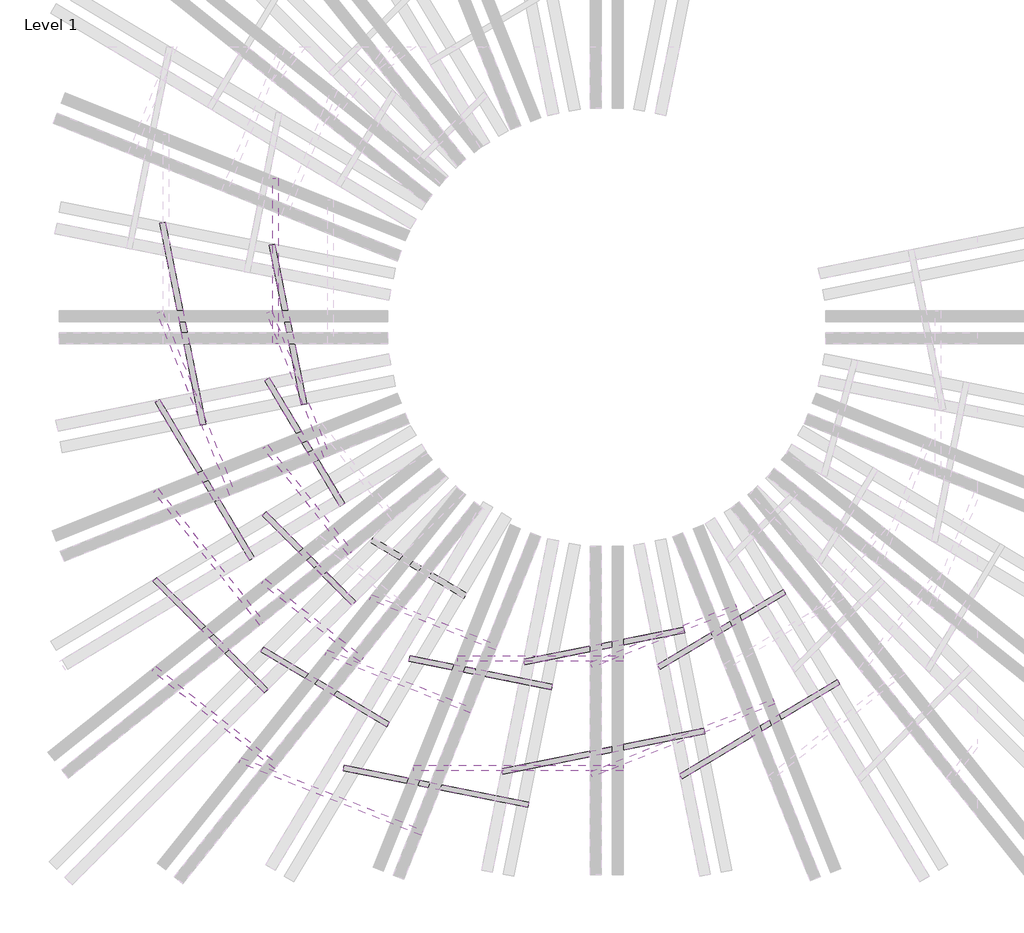
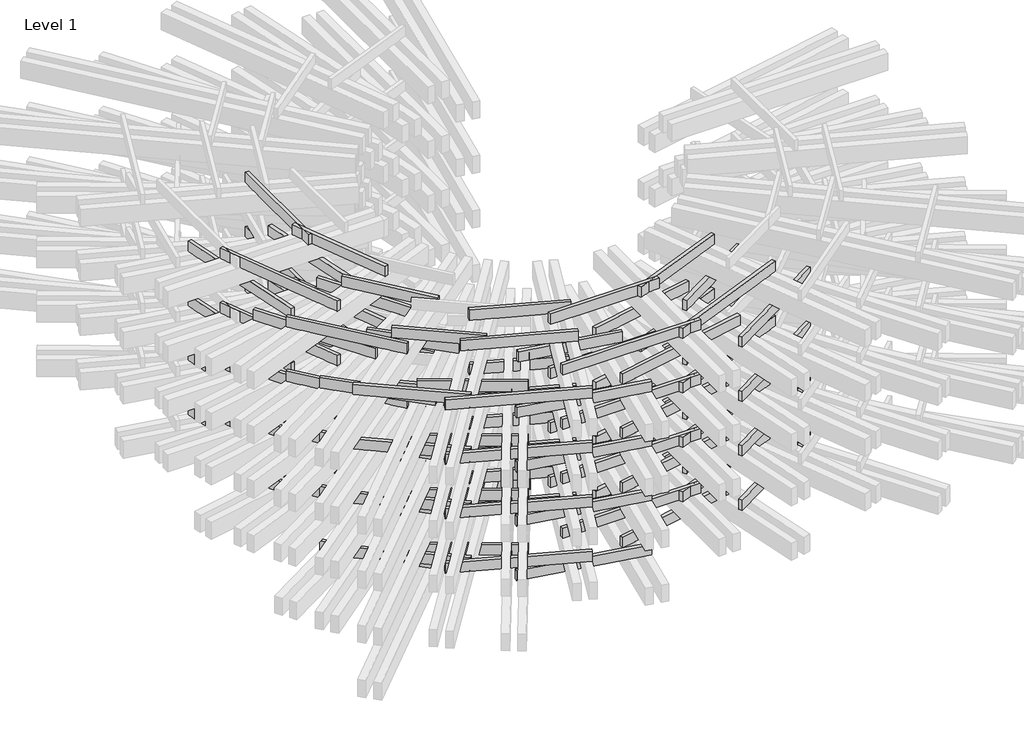
# One storey, part 1 of 4: 109 proxies.
"""IFC4 building model written with IfcOpenShell, lengths in millimetres."""

import ifcopenshell
import ifcopenshell.guid

model = None  # the IFC model being written
_history = None  # IfcOwnerHistory: only IFC2X3 demands one
_inside = {}  # id of a spatial element -> (the spatial element, [elements in it])
_under = {}  # id of a project, library or spatial element -> (it, [spatial elements below it])
_declared = {}  # id of a project -> (the project, [libraries it declares])
_typed = {}  # id of a type object -> (the type object, [elements of that type])
_made_of = {}  # id of a material, layer set ... -> (it, [elements and type objects made of it])


def new_model(schema):
    """Start an empty IFC model of exactly this schema.

    Asked for "IFC4X3", IfcOpenShell would pick the latest addendum, in which some entities
    have other attributes; the version numbers below select the first issue.
    IFC2X3 requires an IfcOwnerHistory on every rooted entity: one is made here for all.
    """
    global model, _history
    if schema == "IFC4X3":
        model = ifcopenshell.file(schema_version=(4, 3, 0, 0))
    else:
        model = ifcopenshell.file(schema=schema)
    _inside.clear()
    _under.clear()
    _declared.clear()
    _typed.clear()
    _made_of.clear()
    _history = None
    if model.schema == "IFC2X3":
        org = make("IfcOrganization", Name="unknown")
        user = make(
            "IfcPersonAndOrganization",
            ThePerson=make("IfcPerson", FamilyName="unknown"),
            TheOrganization=org,
        )
        app = make(
            "IfcApplication",
            ApplicationDeveloper=org,
            Version="unknown",
            ApplicationFullName="unknown",
            ApplicationIdentifier="unknown",
        )
        _history = make(
            "IfcOwnerHistory",
            OwningUser=user,
            OwningApplication=app,
            ChangeAction="ADDED",
            CreationDate=0,
        )
    return model


def make(cls, **values):
    """One entity of the class cls with the attributes given. An attribute that is None is left unset."""
    return model.create_entity(
        cls, **{name: value for name, value in values.items() if value is not None}
    )


def rooted(cls, **values):
    """An entity with a GlobalId (a new one), such as an element, a storey or a relation."""
    return make(cls, GlobalId=ifcopenshell.guid.new(), OwnerHistory=_history, **values)


def si_unit(unit_type, name, prefix=None):
    """IfcSIUnit, for example si_unit("LENGTHUNIT", "METRE", prefix="MILLI")."""
    return make("IfcSIUnit", UnitType=unit_type, Prefix=prefix, Name=name)


def assignment(units):
    """IfcUnitAssignment: the units of a project."""
    return None if units is None else make("IfcUnitAssignment", Units=units)


def point(xyz):
    """IfcCartesianPoint."""
    return None if xyz is None else make("IfcCartesianPoint", Coordinates=xyz)


def direction(xyz):
    """IfcDirection."""
    return None if xyz is None else make("IfcDirection", DirectionRatios=xyz)


def frame(location, z_axis=None, x_axis=None):
    """IfcAxis2Placement3D, a coordinate frame: its origin and axes. An axis left out is left unset."""
    return make(
        "IfcAxis2Placement3D",
        Location=point(location),
        Axis=direction(z_axis),
        RefDirection=direction(x_axis),
    )


def origin():
    """The frame at (0, 0, 0) with its axes left unset."""
    return frame((0.0, 0.0, 0.0))


def origin_with_axes():
    """The frame at (0, 0, 0) with the z axis (0, 0, 1) and the x axis (1, 0, 0) written out."""
    return frame((0.0, 0.0, 0.0), z_axis=(0.0, 0.0, 1.0), x_axis=(1.0, 0.0, 0.0))


def place(relative_to, where):
    """IfcLocalPlacement: puts the frame where relative to a parent placement (None: the world)."""
    return make(
        "IfcLocalPlacement", PlacementRelTo=relative_to, RelativePlacement=where
    )


def context(
    kind, dimensions, precision=None, world=None, true_north=None, identifier=None
):
    """IfcGeometricRepresentationContext, for example the 3D "Model" context."""
    return make(
        "IfcGeometricRepresentationContext",
        ContextIdentifier=identifier,
        ContextType=kind,
        CoordinateSpaceDimension=dimensions,
        Precision=precision,
        WorldCoordinateSystem=world,
        TrueNorth=true_north,
    )


def project(units=None, contexts=None):
    """IfcProject with its units and contexts."""
    return rooted(
        "IfcProject",
        Name="project",
        RepresentationContexts=contexts,
        UnitsInContext=assignment(units),
    )


def spatial(cls, under=None, at=None, **own):
    """A site, building, storey or space (cls), placed at a placement, below another one or the project."""
    s = rooted(cls, ObjectPlacement=at, **own)
    if under is not None:
        _under.setdefault(under.id(), (under, []))[1].append(s)
    return s


def polyline(points):
    """IfcPolyline through the points."""
    return make("IfcPolyline", Points=[point(p) for p in points])


def outline(outer, holes=None, kind="AREA"):
    """IfcArbitraryClosedProfileDef: a profile drawn as a closed curve; with holes, ...WithVoids."""
    if holes is None:
        return make("IfcArbitraryClosedProfileDef", ProfileType=kind, OuterCurve=outer)
    return make(
        "IfcArbitraryProfileDefWithVoids",
        ProfileType=kind,
        OuterCurve=outer,
        InnerCurves=holes,
    )


def extrude(swept, where, along, depth):
    """IfcExtrudedAreaSolid: the profile swept, set in the frame where, extruded along a direction by depth."""
    return make(
        "IfcExtrudedAreaSolid",
        SweptArea=swept,
        Position=where,
        ExtrudedDirection=direction(along),
        Depth=depth,
    )


def shape(context_of_items, identifier, shape_type, items):
    """IfcShapeRepresentation: the items that make up one representation, for example the "Body"."""
    return make(
        "IfcShapeRepresentation",
        ContextOfItems=context_of_items,
        RepresentationIdentifier=identifier,
        RepresentationType=shape_type,
        Items=items,
    )


def source(mapping_origin, context_of_items, identifier, shape_type, items):
    """IfcRepresentationMap: a shape defined once, which mapped items show again and again."""
    return make(
        "IfcRepresentationMap",
        MappingOrigin=mapping_origin,
        MappedRepresentation=shape(context_of_items, identifier, shape_type, items),
    )


def transform(
    local_origin,
    x_axis=None,
    y_axis=None,
    z_axis=None,
    scale=None,
    scale2=None,
    scale3=None,
    uniform=True,
):
    """IfcCartesianTransformationOperator3D, or its non-uniform kind. x_axis, y_axis, z_axis: its Axis1, 2, 3."""
    if uniform:
        return make(
            "IfcCartesianTransformationOperator3D",
            Axis1=direction(x_axis),
            Axis2=direction(y_axis),
            LocalOrigin=point(local_origin),
            Scale=scale,
            Axis3=direction(z_axis),
        )
    return make(
        "IfcCartesianTransformationOperator3DnonUniform",
        Axis1=direction(x_axis),
        Axis2=direction(y_axis),
        LocalOrigin=point(local_origin),
        Scale=scale,
        Axis3=direction(z_axis),
        Scale2=scale2,
        Scale3=scale3,
    )


def mapped(mapping_source, mapping_target):
    """IfcMappedItem: shows the shape of a source again, moved by a transform."""
    return make(
        "IfcMappedItem", MappingSource=mapping_source, MappingTarget=mapping_target
    )


def made_of(thing, what):
    """Note that an element or type object is made of a material, layer set ...; save() writes the relation."""
    if what is not None:
        _made_of.setdefault(what.id(), (what, []))[1].append(thing)
    return thing


def element(
    cls,
    number,
    at=None,
    inside=None,
    cuts=None,
    type_object=None,
    material=None,
    context=None,
    identifier="Body",
    shape_type=None,
    held_by="IfcProductDefinitionShape",
    body=None,
    shapes=None,
    **own,
):
    """One element of the class cls, such as IfcWall. Its Tag is "e" and its number.

    at: its placement. inside: the storey or other place that contains it. cuts: it is an
    opening in that element (IfcRelVoidsElement). A single representation is given by context,
    identifier, shape_type and body (its items); several are given by shapes. held_by: the class
    of the entity that holds the representations. save() writes the other relations.
    """
    e = rooted(cls, Tag="e%d" % number, ObjectPlacement=at, **own)
    if body is not None:
        shapes = [shape(context, identifier, shape_type, body)]
    if shapes is not None:
        e.Representation = make(held_by, Representations=shapes)
    if inside is not None:
        _inside.setdefault(inside.id(), (inside, []))[1].append(e)
    if cuts is not None:
        rooted(
            "IfcRelVoidsElement", RelatingBuildingElement=cuts, RelatedOpeningElement=e
        )
    if type_object is not None:
        _typed.setdefault(type_object.id(), (type_object, []))[1].append(e)
    return made_of(e, material)


def aggregate(whole, parts):
    """IfcRelAggregates: a whole, such as a stair, and the parts it consists of."""
    return rooted("IfcRelAggregates", RelatingObject=whole, RelatedObjects=parts)


def save(model, path):
    """Write the relations noted so far, then the file.

    IfcRelAggregates (storeys below a building ...), IfcRelContainedInSpatialStructure (elements
    in a storey), IfcRelDefinesByType, IfcRelAssociatesMaterial and IfcRelDeclares: one each for
    every whole, place, type object, material and project.
    """
    for whole, parts in _under.values():
        aggregate(whole, parts)
    for where, things in _inside.values():
        rooted(
            "IfcRelContainedInSpatialStructure",
            RelatedElements=things,
            RelatingStructure=where,
        )
    for kind, things in _typed.values():
        rooted("IfcRelDefinesByType", RelatedObjects=things, RelatingType=kind)
    for what, things in _made_of.values():
        rooted("IfcRelAssociatesMaterial", RelatedObjects=things, RelatingMaterial=what)
    for by, libraries in _declared.values():
        rooted("IfcRelDeclares", RelatingContext=by, RelatedDefinitions=libraries)
    model.write(path)


def generic_models_0ae8e02d(model_context):
    return source(origin(), model_context, "Body", "SweptSolid", [
        extrude(outline(polyline([(2973.9617472, 0.0), (2973.9617472, -100.0), (0.0, -100.0), (0.0, 0.0), (2973.9617472, 0.0)])), origin_with_axes(), (0.0, 0.0, 1.0), 300.0),
    ])


def generic_models_d1bfbe83(model_context):
    return source(origin(), model_context, "Body", "SweptSolid", [
        extrude(outline(polyline([(3756.9821934, 0.0), (3756.9821934, -100.0), (0.0, -100.0), (0.0, 0.0), (3756.9821934, 0.0)])), origin_with_axes(), (0.0, 0.0, 1.0), 300.0),
    ])


def generic_models_8410551c(model_context):
    return source(origin(), model_context, "Body", "SweptSolid", [
        extrude(outline(polyline([(3358.6165114, 0.0), (3358.6165114, -100.0), (0.0, -100.0), (0.0, 0.0), (3358.6165114, 0.0)])), origin_with_axes(), (0.0, 0.0, 1.0), 300.0),
    ])


def generic_models_94be1e2b(model_context):
    return source(origin(), model_context, "Body", "SweptSolid", [
        extrude(outline(polyline([(2673.5884872, 0.0), (2673.5884872, -100.0), (0.0, -100.0), (0.0, 0.0), (2673.5884872, 0.0)])), origin_with_axes(), (0.0, 0.0, 1.0), 300.0),
    ])


def generic_models_57c779c8(model_context):
    return source(origin(), model_context, "Body", "SweptSolid", [
        extrude(outline(polyline([(2878.5373836, 0.0), (2878.5373836, -100.0), (0.0, -100.0), (0.0, 0.0), (2878.5373836, 0.0)])), origin_with_axes(), (0.0, 0.0, 1.0), 300.0),
    ])


def generic_models_bb149883(model_context):
    return source(origin(), model_context, "Body", "SweptSolid", [
        extrude(outline(polyline([(2311.22763, 0.0), (2311.22763, -100.0), (0.0, -100.0), (0.0, 0.0), (2311.22763, 0.0)])), origin_with_axes(), (0.0, 0.0, 1.0), 300.0),
    ])


def generic_models_f671ce6b(model_context):
    return source(origin(), model_context, "Body", "SweptSolid", [
        extrude(outline(polyline([(1985.9237035, 0.0), (1985.9237035, -100.0), (0.0, -100.0), (0.0, 0.0), (1985.9237035, 0.0)])), origin_with_axes(), (0.0, 0.0, 1.0), 300.0),
    ])


def generic_models_8eca74c1(model_context):
    return source(origin(), model_context, "Body", "SweptSolid", [
        extrude(outline(polyline([(2674.2363707, 0.0), (2674.2363707, -100.0), (0.0, -100.0), (0.0, 0.0), (2674.2363707, 0.0)])), origin_with_axes(), (0.0, 0.0, 1.0), 300.0),
    ])


def generic_models_0787a6cf(model_context):
    return source(origin(), model_context, "Body", "SweptSolid", [
        extrude(outline(polyline([(2649.0613385, 0.0), (2649.0613385, -100.0), (0.0, -100.0), (0.0, 0.0), (2649.0613385, 0.0)])), origin_with_axes(), (0.0, 0.0, 1.0), 300.0),
    ])


def generic_models_fea92697(model_context):
    return source(origin(), model_context, "Body", "SweptSolid", [
        extrude(outline(polyline([(3432.0817847, 0.0), (3432.0817847, -100.0), (0.0, -100.0), (0.0, 0.0), (3432.0817847, 0.0)])), origin_with_axes(), (0.0, 0.0, 1.0), 300.0),
    ])


def generic_models_f00e651c(model_context):
    return source(origin(), model_context, "Body", "SweptSolid", [
        extrude(outline(polyline([(3589.2450153, 0.0), (3589.2450153, -100.0), (0.0, -100.0), (0.0, 0.0), (3589.2450153, 0.0)])), origin_with_axes(), (0.0, 0.0, 1.0), 300.0),
    ])


def generic_models_257fb715(model_context):
    return source(origin(), model_context, "Body", "SweptSolid", [
        extrude(outline(polyline([(2847.6899227, 0.0), (2847.6899227, -100.0), (0.0, -100.0), (0.0, 0.0), (2847.6899227, 0.0)])), origin_with_axes(), (0.0, 0.0, 1.0), 300.0),
    ])


def generic_models_2a720b67(model_context):
    return source(origin(), model_context, "Body", "SweptSolid", [
        extrude(outline(polyline([(2485.3407594, 0.0), (2485.3407594, -100.0), (0.0, -100.0), (0.0, 0.0), (2485.3407594, 0.0)])), origin_with_axes(), (0.0, 0.0, 1.0), 300.0),
    ])


def generic_models_e1aaa148(model_context):
    return source(origin(), model_context, "Body", "SweptSolid", [
        extrude(outline(polyline([(2864.1203974, 0.0), (2864.1203974, -100.0), (0.0, -100.0), (0.0, 0.0), (2864.1203974, 0.0)])), origin_with_axes(), (0.0, 0.0, 1.0), 300.0),
    ])


def generic_models_66238f93(model_context):
    return source(origin(), model_context, "Body", "SweptSolid", [
        extrude(outline(polyline([(2299.9814989, 0.0), (2299.9814989, -100.0), (0.0, -100.0), (0.0, 0.0), (2299.9814989, 0.0)])), origin_with_axes(), (0.0, 0.0, 1.0), 300.0),
    ])


def generic_models_43e668eb(model_context):
    return source(origin(), model_context, "Body", "SweptSolid", [
        extrude(outline(polyline([(3823.1098884, 0.0), (3823.1098884, -100.0), (0.0, -100.0), (0.0, 0.0), (3823.1098884, 0.0)])), origin_with_axes(), (0.0, 0.0, 1.0), 300.0),
    ])


def generic_models_e5d6c564(model_context):
    return source(origin(), model_context, "Body", "SweptSolid", [
        extrude(outline(polyline([(3023.1098884, 0.0), (3023.1098884, -100.0), (0.0, -100.0), (0.0, 0.0), (3023.1098884, 0.0)])), origin_with_axes(), (0.0, 0.0, 1.0), 300.0),
    ])


def generic_models_5bac6347(model_context):
    return source(origin(), model_context, "Body", "SweptSolid", [
        extrude(outline(polyline([(3109.3058142, 0.0), (3109.3058142, -100.0), (0.0, -100.0), (0.0, 0.0), (3109.3058142, 0.0)])), origin_with_axes(), (0.0, 0.0, 1.0), 300.0),
    ])


def generic_models_52a5121b(model_context):
    return source(origin(), model_context, "Body", "SweptSolid", [
        extrude(outline(polyline([(3576.1143635, 0.0), (3576.1143635, -100.0), (0.0, -100.0), (0.0, 0.0), (3576.1143635, 0.0)])), origin_with_axes(), (0.0, 0.0, 1.0), 300.0),
    ])


def generic_models_d71f84c6(model_context):
    return source(origin(), model_context, "Body", "SweptSolid", [
        extrude(outline(polyline([(2846.3275905, 0.0), (2846.3275905, -100.0), (0.0, -100.0), (0.0, 0.0), (2846.3275905, 0.0)])), origin_with_axes(), (0.0, 0.0, 1.0), 300.0),
    ])


def generic_models_3ffadf14(model_context):
    return source(origin(), model_context, "Body", "SweptSolid", [
        extrude(outline(polyline([(2470.4250118, 0.0), (2470.4250118, -100.0), (0.0, -100.0), (0.0, 0.0), (2470.4250118, 0.0)])), origin_with_axes(), (0.0, 0.0, 1.0), 300.0),
    ])


model = new_model("IFC4")

# Units and contexts
model_context = context("Model", 3, world=origin())
ifc_project = project(units=[si_unit("LENGTHUNIT", "METRE", prefix="MILLI")], contexts=[model_context])

# Site, building, storey
site = spatial("IfcSite", under=ifc_project)
building = spatial("IfcBuilding", under=site)
storey = spatial("IfcBuildingStorey", under=building, Name="Level 1", Elevation=0.0)

# Proxies
placement = place(None, origin())
generic_models_shape = generic_models_0ae8e02d(model_context)
element("IfcBuildingElementProxy", 1, Name="Generic Models", at=placement, inside=storey, context=model_context, shape_type="MappedRepresentation", body=[
    mapped(generic_models_shape, transform((-8119.616306, -1675.3592155, 500.0), x_axis=(0.1957551115428338, -0.980652811297073, 0.0), y_axis=(0.980652811297073, 0.1957551115428338, 0.0), z_axis=(0.0, 0.0, 1.0))),
])
element("IfcBuildingElementProxy", 2, Name="Generic Models", at=placement, inside=storey, context=model_context, shape_type="MappedRepresentation", body=[
    mapped(generic_models_shape, transform((-3572.3327418, -9255.2774828, 500.0), x_axis=(0.9806528112970734, 0.19575511154283193, 0.0), y_axis=(-0.19575511154283193, 0.9806528112970734, 0.0), z_axis=(0.0, 0.0, 1.0))),
])
element("IfcBuildingElementProxy", 3, Name="Generic Models", at=placement, inside=storey, context=model_context, shape_type="MappedRepresentation", body=[
    mapped(generic_models_shape, transform((-8119.616306, -1675.3592155, 2100.0), x_axis=(0.1957551115428338, -0.980652811297073, 0.0), y_axis=(0.980652811297073, 0.1957551115428338, 0.0), z_axis=(0.0, 0.0, 1.0))),
])
element("IfcBuildingElementProxy", 4, Name="Generic Models", at=placement, inside=storey, context=model_context, shape_type="MappedRepresentation", body=[
    mapped(generic_models_shape, transform((-3572.3327418, -9255.2774828, 2100.0), x_axis=(0.9806528112970734, 0.19575511154283193, 0.0), y_axis=(-0.19575511154283193, 0.9806528112970734, 0.0), z_axis=(0.0, 0.0, 1.0))),
])
element("IfcBuildingElementProxy", 5, Name="Generic Models", at=placement, inside=storey, context=model_context, shape_type="MappedRepresentation", body=[
    mapped(generic_models_shape, transform((-8119.616306, -1675.3592155, 3700.0), x_axis=(0.1957551115428338, -0.980652811297073, 0.0), y_axis=(0.980652811297073, 0.1957551115428338, 0.0), z_axis=(0.0, 0.0, 1.0))),
])
element("IfcBuildingElementProxy", 6, Name="Generic Models", at=placement, inside=storey, context=model_context, shape_type="MappedRepresentation", body=[
    mapped(generic_models_shape, transform((-3572.3327418, -9255.2774828, 3700.0), x_axis=(0.9806528112970734, 0.19575511154283193, 0.0), y_axis=(-0.19575511154283193, 0.9806528112970734, 0.0), z_axis=(0.0, 0.0, 1.0))),
])
element("IfcBuildingElementProxy", 7, Name="Generic Models", at=placement, inside=storey, context=model_context, shape_type="MappedRepresentation", body=[
    mapped(generic_models_shape, transform((-8119.616306, -1675.3592155, 5300.0), x_axis=(0.1957551115428338, -0.980652811297073, 0.0), y_axis=(0.980652811297073, 0.1957551115428338, 0.0), z_axis=(0.0, 0.0, 1.0))),
])
element("IfcBuildingElementProxy", 8, Name="Generic Models", at=placement, inside=storey, context=model_context, shape_type="MappedRepresentation", body=[
    mapped(generic_models_shape, transform((-3572.3327418, -9255.2774828, 5300.0), x_axis=(0.9806528112970734, 0.19575511154283193, 0.0), y_axis=(-0.19575511154283193, 0.9806528112970734, 0.0), z_axis=(0.0, 0.0, 1.0))),
])
generic_models_2_shape = generic_models_d1bfbe83(model_context)
element("IfcBuildingElementProxy", 9, Name="Generic Models", at=placement, inside=storey, context=model_context, shape_type="MappedRepresentation", body=[
    mapped(generic_models_2_shape, transform((-10119.616306, -1276.1249314, 500.0), x_axis=(0.1957551115428338, -0.980652811297073, 0.0), y_axis=(0.980652811297073, 0.1957551115428338, 0.0), z_axis=(0.0, 0.0, 1.0))),
])
element("IfcBuildingElementProxy", 10, Name="Generic Models", at=placement, inside=storey, context=model_context, shape_type="MappedRepresentation", body=[
    mapped(generic_models_2_shape, transform((-3971.5670259, -11255.2774828, 500.0), x_axis=(0.9806528112970735, 0.19575511154283215, 0.0), y_axis=(-0.19575511154283215, 0.9806528112970735, 0.0), z_axis=(0.0, 0.0, 1.0))),
])
element("IfcBuildingElementProxy", 11, Name="Generic Models", at=placement, inside=storey, context=model_context, shape_type="MappedRepresentation", body=[
    mapped(generic_models_2_shape, transform((-10119.616306, -1276.1249314, 2100.0), x_axis=(0.1957551115428338, -0.980652811297073, 0.0), y_axis=(0.980652811297073, 0.1957551115428338, 0.0), z_axis=(0.0, 0.0, 1.0))),
])
element("IfcBuildingElementProxy", 12, Name="Generic Models", at=placement, inside=storey, context=model_context, shape_type="MappedRepresentation", body=[
    mapped(generic_models_2_shape, transform((-3971.5670259, -11255.2774828, 2100.0), x_axis=(0.9806528112970735, 0.19575511154283215, 0.0), y_axis=(-0.19575511154283215, 0.9806528112970735, 0.0), z_axis=(0.0, 0.0, 1.0))),
])
element("IfcBuildingElementProxy", 13, Name="Generic Models", at=placement, inside=storey, context=model_context, shape_type="MappedRepresentation", body=[
    mapped(generic_models_2_shape, transform((-10119.616306, -1276.1249314, 3700.0), x_axis=(0.1957551115428338, -0.980652811297073, 0.0), y_axis=(0.980652811297073, 0.1957551115428338, 0.0), z_axis=(0.0, 0.0, 1.0))),
])
element("IfcBuildingElementProxy", 14, Name="Generic Models", at=placement, inside=storey, context=model_context, shape_type="MappedRepresentation", body=[
    mapped(generic_models_2_shape, transform((-3971.5670259, -11255.2774828, 3700.0), x_axis=(0.9806528112970735, 0.19575511154283215, 0.0), y_axis=(-0.19575511154283215, 0.9806528112970735, 0.0), z_axis=(0.0, 0.0, 1.0))),
])
element("IfcBuildingElementProxy", 15, Name="Generic Models", at=placement, inside=storey, context=model_context, shape_type="MappedRepresentation", body=[
    mapped(generic_models_2_shape, transform((-10119.616306, -1276.1249314, 5300.0), x_axis=(0.1957551115428338, -0.980652811297073, 0.0), y_axis=(0.980652811297073, 0.1957551115428338, 0.0), z_axis=(0.0, 0.0, 1.0))),
])
element("IfcBuildingElementProxy", 16, Name="Generic Models", at=placement, inside=storey, context=model_context, shape_type="MappedRepresentation", body=[
    mapped(generic_models_2_shape, transform((-3971.5670259, -11255.2774828, 5300.0), x_axis=(0.9806528112970735, 0.19575511154283215, 0.0), y_axis=(-0.19575511154283215, 0.9806528112970735, 0.0), z_axis=(0.0, 0.0, 1.0))),
])
generic_models_3_shape = generic_models_8410551c(model_context)
element("IfcBuildingElementProxy", 17, Name="Generic Models", at=placement, inside=storey, context=model_context, shape_type="MappedRepresentation", body=[
    mapped(generic_models_3_shape, transform((-10219.6537276, -4515.3600546, 500.0), x_axis=(0.513771018157771, -0.8579273517618653, 0.0), y_axis=(0.8579273517618653, 0.513771018157771, 0.0), z_axis=(0.0, 0.0, 1.0))),
])
element("IfcBuildingElementProxy", 18, Name="Generic Models", at=placement, inside=storey, context=model_context, shape_type="MappedRepresentation", body=[
    mapped(generic_models_3_shape, transform((-732.3319027, -11355.3149045, 500.0), x_axis=(0.857927351761866, 0.51377101815777, 0.0), y_axis=(-0.51377101815777, 0.857927351761866, 0.0), z_axis=(0.0, 0.0, 1.0))),
])
element("IfcBuildingElementProxy", 19, Name="Generic Models", at=placement, inside=storey, context=model_context, shape_type="MappedRepresentation", body=[
    mapped(generic_models_3_shape, transform((-10219.6537276, -4515.3600546, 2100.0), x_axis=(0.513771018157771, -0.8579273517618653, 0.0), y_axis=(0.8579273517618653, 0.513771018157771, 0.0), z_axis=(0.0, 0.0, 1.0))),
])
element("IfcBuildingElementProxy", 20, Name="Generic Models", at=placement, inside=storey, context=model_context, shape_type="MappedRepresentation", body=[
    mapped(generic_models_3_shape, transform((-732.3319027, -11355.3149045, 2100.0), x_axis=(0.857927351761866, 0.51377101815777, 0.0), y_axis=(-0.51377101815777, 0.857927351761866, 0.0), z_axis=(0.0, 0.0, 1.0))),
])
element("IfcBuildingElementProxy", 21, Name="Generic Models", at=placement, inside=storey, context=model_context, shape_type="MappedRepresentation", body=[
    mapped(generic_models_3_shape, transform((-10219.6537276, -4515.3600546, 3700.0), x_axis=(0.513771018157771, -0.8579273517618653, 0.0), y_axis=(0.8579273517618653, 0.513771018157771, 0.0), z_axis=(0.0, 0.0, 1.0))),
])
element("IfcBuildingElementProxy", 22, Name="Generic Models", at=placement, inside=storey, context=model_context, shape_type="MappedRepresentation", body=[
    mapped(generic_models_3_shape, transform((-732.3319027, -11355.3149045, 3700.0), x_axis=(0.857927351761866, 0.51377101815777, 0.0), y_axis=(-0.51377101815777, 0.857927351761866, 0.0), z_axis=(0.0, 0.0, 1.0))),
])
element("IfcBuildingElementProxy", 23, Name="Generic Models", at=placement, inside=storey, context=model_context, shape_type="MappedRepresentation", body=[
    mapped(generic_models_3_shape, transform((-10219.6537276, -4515.3600546, 5300.0), x_axis=(0.513771018157771, -0.8579273517618653, 0.0), y_axis=(0.8579273517618653, 0.513771018157771, 0.0), z_axis=(0.0, 0.0, 1.0))),
])
element("IfcBuildingElementProxy", 24, Name="Generic Models", at=placement, inside=storey, context=model_context, shape_type="MappedRepresentation", body=[
    mapped(generic_models_3_shape, transform((-732.3319027, -11355.3149045, 5300.0), x_axis=(0.857927351761866, 0.51377101815777, 0.0), y_axis=(-0.51377101815777, 0.857927351761866, 0.0), z_axis=(0.0, 0.0, 1.0))),
])
generic_models_4_shape = generic_models_94be1e2b(model_context)
element("IfcBuildingElementProxy", 25, Name="Generic Models", at=placement, inside=storey, context=model_context, shape_type="MappedRepresentation", body=[
    mapped(generic_models_4_shape, transform((-8219.6537276, -4116.1257705, 500.0), x_axis=(0.5137710181577713, -0.8579273517618651, 0.0), y_axis=(0.8579273517618651, 0.5137710181577713, 0.0), z_axis=(0.0, 0.0, 1.0))),
])
element("IfcBuildingElementProxy", 26, Name="Generic Models", at=placement, inside=storey, context=model_context, shape_type="MappedRepresentation", body=[
    mapped(generic_models_4_shape, transform((-1131.5661868, -9355.3149045, 500.0), x_axis=(0.857927351761866, 0.5137710181577699, 0.0), y_axis=(-0.5137710181577699, 0.857927351761866, 0.0), z_axis=(0.0, 0.0, 1.0))),
])
element("IfcBuildingElementProxy", 27, Name="Generic Models", at=placement, inside=storey, context=model_context, shape_type="MappedRepresentation", body=[
    mapped(generic_models_4_shape, transform((-8219.6537276, -4116.1257705, 2100.0), x_axis=(0.5137710181577713, -0.8579273517618651, 0.0), y_axis=(0.8579273517618651, 0.5137710181577713, 0.0), z_axis=(0.0, 0.0, 1.0))),
])
element("IfcBuildingElementProxy", 28, Name="Generic Models", at=placement, inside=storey, context=model_context, shape_type="MappedRepresentation", body=[
    mapped(generic_models_4_shape, transform((-1131.5661868, -9355.3149045, 2100.0), x_axis=(0.857927351761866, 0.5137710181577699, 0.0), y_axis=(-0.5137710181577699, 0.857927351761866, 0.0), z_axis=(0.0, 0.0, 1.0))),
])
element("IfcBuildingElementProxy", 29, Name="Generic Models", at=placement, inside=storey, context=model_context, shape_type="MappedRepresentation", body=[
    mapped(generic_models_4_shape, transform((-8219.6537276, -4116.1257705, 3700.0), x_axis=(0.5137710181577713, -0.8579273517618651, 0.0), y_axis=(0.8579273517618651, 0.5137710181577713, 0.0), z_axis=(0.0, 0.0, 1.0))),
])
element("IfcBuildingElementProxy", 30, Name="Generic Models", at=placement, inside=storey, context=model_context, shape_type="MappedRepresentation", body=[
    mapped(generic_models_4_shape, transform((-1131.5661868, -9355.3149045, 3700.0), x_axis=(0.857927351761866, 0.5137710181577699, 0.0), y_axis=(-0.5137710181577699, 0.857927351761866, 0.0), z_axis=(0.0, 0.0, 1.0))),
])
element("IfcBuildingElementProxy", 31, Name="Generic Models", at=placement, inside=storey, context=model_context, shape_type="MappedRepresentation", body=[
    mapped(generic_models_4_shape, transform((-8219.6537276, -4116.1257705, 5300.0), x_axis=(0.5137710181577713, -0.8579273517618651, 0.0), y_axis=(0.8579273517618651, 0.5137710181577713, 0.0), z_axis=(0.0, 0.0, 1.0))),
])
element("IfcBuildingElementProxy", 32, Name="Generic Models", at=placement, inside=storey, context=model_context, shape_type="MappedRepresentation", body=[
    mapped(generic_models_4_shape, transform((-1131.5661868, -9355.3149045, 5300.0), x_axis=(0.857927351761866, 0.5137710181577699, 0.0), y_axis=(-0.5137710181577699, 0.857927351761866, 0.0), z_axis=(0.0, 0.0, 1.0))),
])
generic_models_5_shape = generic_models_57c779c8(model_context)
element("IfcBuildingElementProxy", 33, Name="Generic Models", at=placement, inside=storey, context=model_context, shape_type="MappedRepresentation", body=[
    mapped(generic_models_5_shape, transform((-10274.7223644, -7763.7810023, 500.0), x_axis=(0.7071067811865458, -0.7071067811865492, 0.0), y_axis=(0.7071067811865492, 0.7071067811865458, 0.0), z_axis=(0.0, 0.0, 1.0))),
])
element("IfcBuildingElementProxy", 34, Name="Generic Models", at=placement, inside=storey, context=model_context, shape_type="MappedRepresentation", body=[
    mapped(generic_models_5_shape, transform((-10274.7223644, -7763.7810023, 2100.0), x_axis=(0.7071067811865458, -0.7071067811865492, 0.0), y_axis=(0.7071067811865492, 0.7071067811865458, 0.0), z_axis=(0.0, 0.0, 1.0))),
])
element("IfcBuildingElementProxy", 35, Name="Generic Models", at=placement, inside=storey, context=model_context, shape_type="MappedRepresentation", body=[
    mapped(generic_models_5_shape, transform((-10274.7223644, -7763.7810023, 3700.0), x_axis=(0.7071067811865458, -0.7071067811865492, 0.0), y_axis=(0.7071067811865492, 0.7071067811865458, 0.0), z_axis=(0.0, 0.0, 1.0))),
])
element("IfcBuildingElementProxy", 36, Name="Generic Models", at=placement, inside=storey, context=model_context, shape_type="MappedRepresentation", body=[
    mapped(generic_models_5_shape, transform((-10274.7223644, -7763.7810023, 5300.0), x_axis=(0.7071067811865458, -0.7071067811865492, 0.0), y_axis=(0.7071067811865492, 0.7071067811865458, 0.0), z_axis=(0.0, 0.0, 1.0))),
])
generic_models_6_shape = generic_models_bb149883(model_context)
element("IfcBuildingElementProxy", 37, Name="Generic Models", at=placement, inside=storey, context=model_context, shape_type="MappedRepresentation", body=[
    mapped(generic_models_6_shape, transform((-8274.7223644, -6566.0781499, 500.0), x_axis=(0.7071067811865459, -0.7071067811865492, 0.0), y_axis=(0.7071067811865492, 0.7071067811865459, 0.0), z_axis=(0.0, 0.0, 1.0))),
])
element("IfcBuildingElementProxy", 38, Name="Generic Models", at=placement, inside=storey, context=model_context, shape_type="MappedRepresentation", body=[
    mapped(generic_models_6_shape, transform((-8274.7223644, -6566.0781499, 2100.0), x_axis=(0.7071067811865459, -0.7071067811865492, 0.0), y_axis=(0.7071067811865492, 0.7071067811865459, 0.0), z_axis=(0.0, 0.0, 1.0))),
])
element("IfcBuildingElementProxy", 39, Name="Generic Models", at=placement, inside=storey, context=model_context, shape_type="MappedRepresentation", body=[
    mapped(generic_models_6_shape, transform((-8274.7223644, -6566.0781499, 3700.0), x_axis=(0.7071067811865459, -0.7071067811865492, 0.0), y_axis=(0.7071067811865492, 0.7071067811865459, 0.0), z_axis=(0.0, 0.0, 1.0))),
])
element("IfcBuildingElementProxy", 40, Name="Generic Models", at=placement, inside=storey, context=model_context, shape_type="MappedRepresentation", body=[
    mapped(generic_models_6_shape, transform((-8274.7223644, -6566.0781499, 5300.0), x_axis=(0.7071067811865459, -0.7071067811865492, 0.0), y_axis=(0.7071067811865492, 0.7071067811865459, 0.0), z_axis=(0.0, 0.0, 1.0))),
])
generic_models_7_shape = generic_models_f671ce6b(model_context)
element("IfcBuildingElementProxy", 41, Name="Generic Models", at=placement, inside=storey, context=model_context, shape_type="MappedRepresentation", body=[
    mapped(generic_models_7_shape, transform((-6321.370921, -7032.7680291, 500.0), x_axis=(0.8579273517618604, -0.5137710181577791, 0.0), y_axis=(0.5137710181577791, 0.8579273517618604, 0.0), z_axis=(0.0, 0.0, 1.0))),
])
generic_models_8_shape = generic_models_8eca74c1(model_context)
element("IfcBuildingElementProxy", 42, Name="Generic Models", at=placement, inside=storey, context=model_context, shape_type="MappedRepresentation", body=[
    mapped(generic_models_8_shape, transform((-8321.370921, -9032.7680291, 500.0), x_axis=(0.857927351761862, -0.5137710181577767, 0.0), y_axis=(0.5137710181577767, 0.857927351761862, 0.0), z_axis=(0.0, 0.0, 1.0))),
])
element("IfcBuildingElementProxy", 43, Name="Generic Models", at=placement, inside=storey, context=model_context, shape_type="MappedRepresentation", body=[
    mapped(generic_models_8_shape, transform((-8321.370921, -9032.7680291, 2100.0), x_axis=(0.857927351761862, -0.5137710181577767, 0.0), y_axis=(0.5137710181577767, 0.857927351761862, 0.0), z_axis=(0.0, 0.0, 1.0))),
])
element("IfcBuildingElementProxy", 44, Name="Generic Models", at=placement, inside=storey, context=model_context, shape_type="MappedRepresentation", body=[
    mapped(generic_models_8_shape, transform((-8321.370921, -9032.7680291, 3700.0), x_axis=(0.857927351761862, -0.5137710181577767, 0.0), y_axis=(0.5137710181577767, 0.857927351761862, 0.0), z_axis=(0.0, 0.0, 1.0))),
])
element("IfcBuildingElementProxy", 45, Name="Generic Models", at=placement, inside=storey, context=model_context, shape_type="MappedRepresentation", body=[
    mapped(generic_models_8_shape, transform((-8321.370921, -9032.7680291, 5300.0), x_axis=(0.857927351761862, -0.5137710181577767, 0.0), y_axis=(0.5137710181577767, 0.857927351761862, 0.0), z_axis=(0.0, 0.0, 1.0))),
])
generic_models_9_shape = generic_models_0787a6cf(model_context)
element("IfcBuildingElementProxy", 46, Name="Generic Models", at=placement, inside=storey, context=model_context, shape_type="MappedRepresentation", body=[
    mapped(generic_models_9_shape, transform((-5649.1239473, -9191.6765671, 500.0), x_axis=(0.9806528112970722, -0.19575511154283817, 0.0), y_axis=(0.19575511154283817, 0.9806528112970722, 0.0), z_axis=(0.0, 0.0, 1.0))),
])
element("IfcBuildingElementProxy", 47, Name="Generic Models", at=placement, inside=storey, context=model_context, shape_type="MappedRepresentation", body=[
    mapped(generic_models_9_shape, transform((-5649.1239473, -9191.6765671, 2100.0), x_axis=(0.9806528112970722, -0.19575511154283817, 0.0), y_axis=(0.19575511154283817, 0.9806528112970722, 0.0), z_axis=(0.0, 0.0, 1.0))),
])
element("IfcBuildingElementProxy", 48, Name="Generic Models", at=placement, inside=storey, context=model_context, shape_type="MappedRepresentation", body=[
    mapped(generic_models_9_shape, transform((-5649.1239473, -9191.6765671, 3700.0), x_axis=(0.9806528112970722, -0.19575511154283817, 0.0), y_axis=(0.19575511154283817, 0.9806528112970722, 0.0), z_axis=(0.0, 0.0, 1.0))),
])
element("IfcBuildingElementProxy", 49, Name="Generic Models", at=placement, inside=storey, context=model_context, shape_type="MappedRepresentation", body=[
    mapped(generic_models_9_shape, transform((-5649.1239473, -9191.6765671, 5300.0), x_axis=(0.9806528112970722, -0.19575511154283817, 0.0), y_axis=(0.19575511154283817, 0.9806528112970722, 0.0), z_axis=(0.0, 0.0, 1.0))),
])
generic_models_10_shape = generic_models_fea92697(model_context)
element("IfcBuildingElementProxy", 50, Name="Generic Models", at=placement, inside=storey, context=model_context, shape_type="MappedRepresentation", body=[
    mapped(generic_models_10_shape, transform((-6846.8267997, -11191.6765671, 500.0), x_axis=(0.9806528112970715, -0.19575511154284167, 0.0), y_axis=(0.19575511154284167, 0.9806528112970715, 0.0), z_axis=(0.0, 0.0, 1.0))),
])
element("IfcBuildingElementProxy", 51, Name="Generic Models", at=placement, inside=storey, context=model_context, shape_type="MappedRepresentation", body=[
    mapped(generic_models_10_shape, transform((-6846.8267997, -11191.6765671, 2100.0), x_axis=(0.9806528112970715, -0.19575511154284167, 0.0), y_axis=(0.19575511154284167, 0.9806528112970715, 0.0), z_axis=(0.0, 0.0, 1.0))),
])
element("IfcBuildingElementProxy", 52, Name="Generic Models", at=placement, inside=storey, context=model_context, shape_type="MappedRepresentation", body=[
    mapped(generic_models_10_shape, transform((-6846.8267997, -11191.6765671, 3700.0), x_axis=(0.9806528112970715, -0.19575511154284167, 0.0), y_axis=(0.19575511154284167, 0.9806528112970715, 0.0), z_axis=(0.0, 0.0, 1.0))),
])
element("IfcBuildingElementProxy", 53, Name="Generic Models", at=placement, inside=storey, context=model_context, shape_type="MappedRepresentation", body=[
    mapped(generic_models_10_shape, transform((-6846.8267997, -11191.6765671, 5300.0), x_axis=(0.9806528112970715, -0.19575511154284167, 0.0), y_axis=(0.19575511154284167, 0.9806528112970715, 0.0), z_axis=(0.0, 0.0, 1.0))),
])
generic_models_11_shape = generic_models_f00e651c(model_context)
element("IfcBuildingElementProxy", 54, Name="Generic Models", at=placement, inside=storey, context=model_context, shape_type="MappedRepresentation", body=[
    mapped(generic_models_11_shape, transform((-10175.7856755, -2891.6765671, 1300.0), x_axis=(0.37077754629226695, -0.9287217081373117, 0.0), y_axis=(0.9287217081373117, 0.37077754629226695, 0.0), z_axis=(0.0, 0.0, 1.0))),
])
element("IfcBuildingElementProxy", 55, Name="Generic Models", at=placement, inside=storey, context=model_context, shape_type="MappedRepresentation", body=[
    mapped(generic_models_11_shape, transform((-2356.0153902, -11311.4468523, 1300.0), x_axis=(0.928721708137312, 0.37077754629226584, 0.0), y_axis=(-0.37077754629226584, 0.928721708137312, 0.0), z_axis=(0.0, 0.0, 1.0))),
])
element("IfcBuildingElementProxy", 56, Name="Generic Models", at=placement, inside=storey, context=model_context, shape_type="MappedRepresentation", body=[
    mapped(generic_models_11_shape, transform((-10175.7856755, -2891.6765671, 2900.0), x_axis=(0.37077754629226695, -0.9287217081373117, 0.0), y_axis=(0.9287217081373117, 0.37077754629226695, 0.0), z_axis=(0.0, 0.0, 1.0))),
])
element("IfcBuildingElementProxy", 57, Name="Generic Models", at=placement, inside=storey, context=model_context, shape_type="MappedRepresentation", body=[
    mapped(generic_models_11_shape, transform((-2356.0153902, -11311.4468523, 2900.0), x_axis=(0.928721708137312, 0.37077754629226584, 0.0), y_axis=(-0.37077754629226584, 0.928721708137312, 0.0), z_axis=(0.0, 0.0, 1.0))),
])
element("IfcBuildingElementProxy", 58, Name="Generic Models", at=placement, inside=storey, context=model_context, shape_type="MappedRepresentation", body=[
    mapped(generic_models_11_shape, transform((-10175.7856755, -2891.6765671, 4500.0), x_axis=(0.37077754629226695, -0.9287217081373117, 0.0), y_axis=(0.9287217081373117, 0.37077754629226695, 0.0), z_axis=(0.0, 0.0, 1.0))),
])
element("IfcBuildingElementProxy", 59, Name="Generic Models", at=placement, inside=storey, context=model_context, shape_type="MappedRepresentation", body=[
    mapped(generic_models_11_shape, transform((-2356.0153902, -11311.4468523, 4500.0), x_axis=(0.928721708137312, 0.37077754629226584, 0.0), y_axis=(-0.37077754629226584, 0.928721708137312, 0.0), z_axis=(0.0, 0.0, 1.0))),
])
element("IfcBuildingElementProxy", 60, Name="Generic Models", at=placement, inside=storey, context=model_context, shape_type="MappedRepresentation", body=[
    mapped(generic_models_11_shape, transform((-10175.7856755, -2891.6765671, 6100.0), x_axis=(0.37077754629226695, -0.9287217081373117, 0.0), y_axis=(0.9287217081373117, 0.37077754629226695, 0.0), z_axis=(0.0, 0.0, 1.0))),
])
element("IfcBuildingElementProxy", 61, Name="Generic Models", at=placement, inside=storey, context=model_context, shape_type="MappedRepresentation", body=[
    mapped(generic_models_11_shape, transform((-2356.0153902, -11311.4468523, 6100.0), x_axis=(0.928721708137312, 0.37077754629226584, 0.0), y_axis=(-0.37077754629226584, 0.928721708137312, 0.0), z_axis=(0.0, 0.0, 1.0))),
])
generic_models_12_shape = generic_models_257fb715(model_context)
element("IfcBuildingElementProxy", 62, Name="Generic Models", at=placement, inside=storey, context=model_context, shape_type="MappedRepresentation", body=[
    mapped(generic_models_12_shape, transform((-8175.7856755, -2891.6765671, 1300.0), x_axis=(0.370777546292267, -0.9287217081373117, 0.0), y_axis=(0.9287217081373117, 0.370777546292267, 0.0), z_axis=(0.0, 0.0, 1.0))),
])
element("IfcBuildingElementProxy", 63, Name="Generic Models", at=placement, inside=storey, context=model_context, shape_type="MappedRepresentation", body=[
    mapped(generic_models_12_shape, transform((-2356.0153902, -9311.4468523, 1300.0), x_axis=(0.928721708137312, 0.37077754629226606, 0.0), y_axis=(-0.37077754629226606, 0.928721708137312, 0.0), z_axis=(0.0, 0.0, 1.0))),
])
element("IfcBuildingElementProxy", 64, Name="Generic Models", at=placement, inside=storey, context=model_context, shape_type="MappedRepresentation", body=[
    mapped(generic_models_12_shape, transform((-8175.7856755, -2891.6765671, 2900.0), x_axis=(0.370777546292267, -0.9287217081373117, 0.0), y_axis=(0.9287217081373117, 0.370777546292267, 0.0), z_axis=(0.0, 0.0, 1.0))),
])
element("IfcBuildingElementProxy", 65, Name="Generic Models", at=placement, inside=storey, context=model_context, shape_type="MappedRepresentation", body=[
    mapped(generic_models_12_shape, transform((-2356.0153902, -9311.4468523, 2900.0), x_axis=(0.928721708137312, 0.37077754629226606, 0.0), y_axis=(-0.37077754629226606, 0.928721708137312, 0.0), z_axis=(0.0, 0.0, 1.0))),
])
element("IfcBuildingElementProxy", 66, Name="Generic Models", at=placement, inside=storey, context=model_context, shape_type="MappedRepresentation", body=[
    mapped(generic_models_12_shape, transform((-8175.7856755, -2891.6765671, 4500.0), x_axis=(0.370777546292267, -0.9287217081373117, 0.0), y_axis=(0.9287217081373117, 0.370777546292267, 0.0), z_axis=(0.0, 0.0, 1.0))),
])
element("IfcBuildingElementProxy", 67, Name="Generic Models", at=placement, inside=storey, context=model_context, shape_type="MappedRepresentation", body=[
    mapped(generic_models_12_shape, transform((-2356.0153902, -9311.4468523, 4500.0), x_axis=(0.928721708137312, 0.37077754629226606, 0.0), y_axis=(-0.37077754629226606, 0.928721708137312, 0.0), z_axis=(0.0, 0.0, 1.0))),
])
element("IfcBuildingElementProxy", 68, Name="Generic Models", at=placement, inside=storey, context=model_context, shape_type="MappedRepresentation", body=[
    mapped(generic_models_12_shape, transform((-8175.7856755, -2891.6765671, 6100.0), x_axis=(0.370777546292267, -0.9287217081373117, 0.0), y_axis=(0.9287217081373117, 0.370777546292267, 0.0), z_axis=(0.0, 0.0, 1.0))),
])
element("IfcBuildingElementProxy", 69, Name="Generic Models", at=placement, inside=storey, context=model_context, shape_type="MappedRepresentation", body=[
    mapped(generic_models_12_shape, transform((-2356.0153902, -9311.4468523, 6100.0), x_axis=(0.928721708137312, 0.37077754629226606, 0.0), y_axis=(-0.37077754629226606, 0.928721708137312, 0.0), z_axis=(0.0, 0.0, 1.0))),
])
generic_models_13_shape = generic_models_2a720b67(model_context)
element("IfcBuildingElementProxy", 70, Name="Generic Models", at=placement, inside=storey, context=model_context, shape_type="MappedRepresentation", body=[
    mapped(generic_models_13_shape, transform((-8251.5944881, -5342.139508, 1300.0), x_axis=(0.623965054791503, -0.7814522444775732, 0.0), y_axis=(0.7814522444775732, 0.623965054791503, 0.0), z_axis=(0.0, 0.0, 1.0))),
])
element("IfcBuildingElementProxy", 71, Name="Generic Models", at=placement, inside=storey, context=model_context, shape_type="MappedRepresentation", body=[
    mapped(generic_models_13_shape, transform((-8251.5944881, -5342.139508, 2900.0), x_axis=(0.623965054791503, -0.7814522444775732, 0.0), y_axis=(0.7814522444775732, 0.623965054791503, 0.0), z_axis=(0.0, 0.0, 1.0))),
])
element("IfcBuildingElementProxy", 72, Name="Generic Models", at=placement, inside=storey, context=model_context, shape_type="MappedRepresentation", body=[
    mapped(generic_models_13_shape, transform((-8251.5944881, -5342.139508, 4500.0), x_axis=(0.623965054791503, -0.7814522444775732, 0.0), y_axis=(0.7814522444775732, 0.623965054791503, 0.0), z_axis=(0.0, 0.0, 1.0))),
])
element("IfcBuildingElementProxy", 73, Name="Generic Models", at=placement, inside=storey, context=model_context, shape_type="MappedRepresentation", body=[
    mapped(generic_models_13_shape, transform((-8251.5944881, -5342.139508, 6100.0), x_axis=(0.623965054791503, -0.7814522444775732, 0.0), y_axis=(0.7814522444775732, 0.623965054791503, 0.0), z_axis=(0.0, 0.0, 1.0))),
])
generic_models_14_shape = generic_models_e1aaa148(model_context)
element("IfcBuildingElementProxy", 74, Name="Generic Models", at=placement, inside=storey, context=model_context, shape_type="MappedRepresentation", body=[
    mapped(generic_models_14_shape, transform((-10296.1831522, -9387.2909034, 1300.0), x_axis=(0.7808688094430263, -0.6246950475544293, 0.0), y_axis=(0.6246950475544293, 0.7808688094430263, 0.0), z_axis=(0.0, 0.0, 1.0))),
])
element("IfcBuildingElementProxy", 75, Name="Generic Models", at=placement, inside=storey, context=model_context, shape_type="MappedRepresentation", body=[
    mapped(generic_models_14_shape, transform((-10296.1831522, -9387.2909034, 2900.0), x_axis=(0.7808688094430263, -0.6246950475544293, 0.0), y_axis=(0.6246950475544293, 0.7808688094430263, 0.0), z_axis=(0.0, 0.0, 1.0))),
])
element("IfcBuildingElementProxy", 76, Name="Generic Models", at=placement, inside=storey, context=model_context, shape_type="MappedRepresentation", body=[
    mapped(generic_models_14_shape, transform((-10296.1831522, -9387.2909034, 4500.0), x_axis=(0.7808688094430263, -0.6246950475544293, 0.0), y_axis=(0.6246950475544293, 0.7808688094430263, 0.0), z_axis=(0.0, 0.0, 1.0))),
])
element("IfcBuildingElementProxy", 77, Name="Generic Models", at=placement, inside=storey, context=model_context, shape_type="MappedRepresentation", body=[
    mapped(generic_models_14_shape, transform((-10296.1831522, -9387.2909034, 6100.0), x_axis=(0.7808688094430263, -0.6246950475544293, 0.0), y_axis=(0.6246950475544293, 0.7808688094430263, 0.0), z_axis=(0.0, 0.0, 1.0))),
])
generic_models_15_shape = generic_models_66238f93(model_context)
element("IfcBuildingElementProxy", 78, Name="Generic Models", at=placement, inside=storey, context=model_context, shape_type="MappedRepresentation", body=[
    mapped(generic_models_15_shape, transform((-8296.1831522, -7790.353767, 1300.0), x_axis=(0.7808688094430263, -0.6246950475544294, 0.0), y_axis=(0.6246950475544294, 0.7808688094430263, 0.0), z_axis=(0.0, 0.0, 1.0))),
])
element("IfcBuildingElementProxy", 79, Name="Generic Models", at=placement, inside=storey, context=model_context, shape_type="MappedRepresentation", body=[
    mapped(generic_models_15_shape, transform((-8296.1831522, -7790.353767, 2900.0), x_axis=(0.7808688094430263, -0.6246950475544294, 0.0), y_axis=(0.6246950475544294, 0.7808688094430263, 0.0), z_axis=(0.0, 0.0, 1.0))),
])
element("IfcBuildingElementProxy", 80, Name="Generic Models", at=placement, inside=storey, context=model_context, shape_type="MappedRepresentation", body=[
    mapped(generic_models_15_shape, transform((-8296.1831522, -7790.353767, 4500.0), x_axis=(0.7808688094430263, -0.6246950475544294, 0.0), y_axis=(0.6246950475544294, 0.7808688094430263, 0.0), z_axis=(0.0, 0.0, 1.0))),
])
element("IfcBuildingElementProxy", 81, Name="Generic Models", at=placement, inside=storey, context=model_context, shape_type="MappedRepresentation", body=[
    mapped(generic_models_15_shape, transform((-8296.1831522, -7790.353767, 6100.0), x_axis=(0.7808688094430263, -0.6246950475544294, 0.0), y_axis=(0.6246950475544294, 0.7808688094430263, 0.0), z_axis=(0.0, 0.0, 1.0))),
])
generic_models_16_shape = generic_models_43e668eb(model_context)
element("IfcBuildingElementProxy", 82, Name="Generic Models", at=placement, inside=storey, context=model_context, shape_type="MappedRepresentation", body=[
    mapped(generic_models_16_shape, transform((-5579.1252787, -11191.6765671, 1300.0), x_axis=(1.0, 0.0, 0.0), y_axis=(0.0, 1.0, 0.0), z_axis=(0.0, 0.0, 1.0))),
])
element("IfcBuildingElementProxy", 83, Name="Generic Models", at=placement, inside=storey, context=model_context, shape_type="MappedRepresentation", body=[
    mapped(generic_models_16_shape, transform((-5579.1252787, -11191.6765671, 2900.0), x_axis=(1.0, 0.0, 0.0), y_axis=(0.0, 1.0, 0.0), z_axis=(0.0, 0.0, 1.0))),
])
element("IfcBuildingElementProxy", 84, Name="Generic Models", at=placement, inside=storey, context=model_context, shape_type="MappedRepresentation", body=[
    mapped(generic_models_16_shape, transform((-5579.1252787, -11191.6765671, 4500.0), x_axis=(1.0, 0.0, 0.0), y_axis=(0.0, 1.0, 0.0), z_axis=(0.0, 0.0, 1.0))),
])
element("IfcBuildingElementProxy", 85, Name="Generic Models", at=placement, inside=storey, context=model_context, shape_type="MappedRepresentation", body=[
    mapped(generic_models_16_shape, transform((-5579.1252787, -11191.6765671, 6100.0), x_axis=(1.0, 0.0, 0.0), y_axis=(0.0, 1.0, 0.0), z_axis=(0.0, 0.0, 1.0))),
])
generic_models_17_shape = generic_models_e5d6c564(model_context)
element("IfcBuildingElementProxy", 86, Name="Generic Models", at=placement, inside=storey, context=model_context, shape_type="MappedRepresentation", body=[
    mapped(generic_models_17_shape, transform((-8056.0153902, -468.5666787, 1300.0), x_axis=(0.0, -1.0, 0.0), y_axis=(1.0, 0.0, 0.0), z_axis=(0.0, 0.0, 1.0))),
])
element("IfcBuildingElementProxy", 87, Name="Generic Models", at=placement, inside=storey, context=model_context, shape_type="MappedRepresentation", body=[
    mapped(generic_models_17_shape, transform((-4779.1252787, -9191.6765671, 1300.0), x_axis=(1.0, 0.0, 0.0), y_axis=(0.0, 1.0, 0.0), z_axis=(0.0, 0.0, 1.0))),
])
element("IfcBuildingElementProxy", 88, Name="Generic Models", at=placement, inside=storey, context=model_context, shape_type="MappedRepresentation", body=[
    mapped(generic_models_17_shape, transform((-8056.0153902, -468.5666787, 2900.0), x_axis=(0.0, -1.0, 0.0), y_axis=(1.0, 0.0, 0.0), z_axis=(0.0, 0.0, 1.0))),
])
element("IfcBuildingElementProxy", 89, Name="Generic Models", at=placement, inside=storey, context=model_context, shape_type="MappedRepresentation", body=[
    mapped(generic_models_17_shape, transform((-4779.1252787, -9191.6765671, 2900.0), x_axis=(1.0, 0.0, 0.0), y_axis=(0.0, 1.0, 0.0), z_axis=(0.0, 0.0, 1.0))),
])
element("IfcBuildingElementProxy", 90, Name="Generic Models", at=placement, inside=storey, context=model_context, shape_type="MappedRepresentation", body=[
    mapped(generic_models_17_shape, transform((-8056.0153902, -468.5666787, 4500.0), x_axis=(0.0, -1.0, 0.0), y_axis=(1.0, 0.0, 0.0), z_axis=(0.0, 0.0, 1.0))),
])
element("IfcBuildingElementProxy", 91, Name="Generic Models", at=placement, inside=storey, context=model_context, shape_type="MappedRepresentation", body=[
    mapped(generic_models_17_shape, transform((-4779.1252787, -9191.6765671, 4500.0), x_axis=(1.0, 0.0, 0.0), y_axis=(0.0, 1.0, 0.0), z_axis=(0.0, 0.0, 1.0))),
])
element("IfcBuildingElementProxy", 92, Name="Generic Models", at=placement, inside=storey, context=model_context, shape_type="MappedRepresentation", body=[
    mapped(generic_models_17_shape, transform((-8056.0153902, -468.5666787, 6100.0), x_axis=(0.0, -1.0, 0.0), y_axis=(1.0, 0.0, 0.0), z_axis=(0.0, 0.0, 1.0))),
])
element("IfcBuildingElementProxy", 93, Name="Generic Models", at=placement, inside=storey, context=model_context, shape_type="MappedRepresentation", body=[
    mapped(generic_models_17_shape, transform((-4779.1252787, -9191.6765671, 6100.0), x_axis=(1.0, 0.0, 0.0), y_axis=(0.0, 1.0, 0.0), z_axis=(0.0, 0.0, 1.0))),
])
generic_models_18_shape = generic_models_5bac6347(model_context)
element("IfcBuildingElementProxy", 94, Name="Generic Models", at=placement, inside=storey, context=model_context, shape_type="MappedRepresentation", body=[
    mapped(generic_models_18_shape, transform((-10251.5944881, -6140.6080762, 1300.0), x_axis=(0.6239650547915029, -0.7814522444775733, 0.0), y_axis=(0.7814522444775733, 0.6239650547915029, 0.0), z_axis=(0.0, 0.0, 1.0))),
])
element("IfcBuildingElementProxy", 95, Name="Generic Models", at=placement, inside=storey, context=model_context, shape_type="MappedRepresentation", body=[
    mapped(generic_models_18_shape, transform((-10251.5944881, -6140.6080762, 2900.0), x_axis=(0.6239650547915029, -0.7814522444775733, 0.0), y_axis=(0.7814522444775733, 0.6239650547915029, 0.0), z_axis=(0.0, 0.0, 1.0))),
])
element("IfcBuildingElementProxy", 96, Name="Generic Models", at=placement, inside=storey, context=model_context, shape_type="MappedRepresentation", body=[
    mapped(generic_models_18_shape, transform((-10251.5944881, -6140.6080762, 4500.0), x_axis=(0.6239650547915029, -0.7814522444775733, 0.0), y_axis=(0.7814522444775733, 0.6239650547915029, 0.0), z_axis=(0.0, 0.0, 1.0))),
])
element("IfcBuildingElementProxy", 97, Name="Generic Models", at=placement, inside=storey, context=model_context, shape_type="MappedRepresentation", body=[
    mapped(generic_models_18_shape, transform((-10251.5944881, -6140.6080762, 6100.0), x_axis=(0.6239650547915029, -0.7814522444775733, 0.0), y_axis=(0.7814522444775733, 0.6239650547915029, 0.0), z_axis=(0.0, 0.0, 1.0))),
])
generic_models_19_shape = generic_models_52a5121b(model_context)
element("IfcBuildingElementProxy", 98, Name="Generic Models", at=placement, inside=storey, context=model_context, shape_type="MappedRepresentation", body=[
    mapped(generic_models_19_shape, transform((-8728.7942459, -11052.4158188, 1300.0), x_axis=(0.928476690885257, -0.37139067635410955, 0.0), y_axis=(0.37139067635410955, 0.928476690885257, 0.0), z_axis=(0.0, 0.0, 1.0))),
])
element("IfcBuildingElementProxy", 99, Name="Generic Models", at=placement, inside=storey, context=model_context, shape_type="MappedRepresentation", body=[
    mapped(generic_models_19_shape, transform((-8728.7942459, -11052.4158188, 2900.0), x_axis=(0.928476690885257, -0.37139067635410955, 0.0), y_axis=(0.37139067635410955, 0.928476690885257, 0.0), z_axis=(0.0, 0.0, 1.0))),
])
element("IfcBuildingElementProxy", 100, Name="Generic Models", at=placement, inside=storey, context=model_context, shape_type="MappedRepresentation", body=[
    mapped(generic_models_19_shape, transform((-8728.7942459, -11052.4158188, 4500.0), x_axis=(0.928476690885257, -0.37139067635410955, 0.0), y_axis=(0.37139067635410955, 0.928476690885257, 0.0), z_axis=(0.0, 0.0, 1.0))),
])
element("IfcBuildingElementProxy", 101, Name="Generic Models", at=placement, inside=storey, context=model_context, shape_type="MappedRepresentation", body=[
    mapped(generic_models_19_shape, transform((-8728.7942459, -11052.4158188, 6100.0), x_axis=(0.928476690885257, -0.37139067635410955, 0.0), y_axis=(0.37139067635410955, 0.928476690885257, 0.0), z_axis=(0.0, 0.0, 1.0))),
])
generic_models_20_shape = generic_models_d71f84c6(model_context)
element("IfcBuildingElementProxy", 102, Name="Generic Models", at=placement, inside=storey, context=model_context, shape_type="MappedRepresentation", body=[
    mapped(generic_models_20_shape, transform((-7156.7854272, -9087.4047954, 1300.0), x_axis=(0.9284766908852571, -0.37139067635410944, 0.0), y_axis=(0.37139067635410944, 0.9284766908852571, 0.0), z_axis=(0.0, 0.0, 1.0))),
])
element("IfcBuildingElementProxy", 103, Name="Generic Models", at=placement, inside=storey, context=model_context, shape_type="MappedRepresentation", body=[
    mapped(generic_models_20_shape, transform((-7156.7854272, -9087.4047954, 2900.0), x_axis=(0.9284766908852571, -0.37139067635410944, 0.0), y_axis=(0.37139067635410944, 0.9284766908852571, 0.0), z_axis=(0.0, 0.0, 1.0))),
])
element("IfcBuildingElementProxy", 104, Name="Generic Models", at=placement, inside=storey, context=model_context, shape_type="MappedRepresentation", body=[
    mapped(generic_models_20_shape, transform((-7156.7854272, -9087.4047954, 4500.0), x_axis=(0.9284766908852571, -0.37139067635410944, 0.0), y_axis=(0.37139067635410944, 0.9284766908852571, 0.0), z_axis=(0.0, 0.0, 1.0))),
])
element("IfcBuildingElementProxy", 105, Name="Generic Models", at=placement, inside=storey, context=model_context, shape_type="MappedRepresentation", body=[
    mapped(generic_models_20_shape, transform((-7156.7854272, -9087.4047954, 6100.0), x_axis=(0.9284766908852571, -0.37139067635410944, 0.0), y_axis=(0.37139067635410944, 0.9284766908852571, 0.0), z_axis=(0.0, 0.0, 1.0))),
])
generic_models_21_shape = generic_models_3ffadf14(model_context)
element("IfcBuildingElementProxy", 106, Name="Generic Models", at=placement, inside=storey, context=model_context, shape_type="MappedRepresentation", body=[
    mapped(generic_models_21_shape, transform((-6347.0664919, -8075.2561264, 1300.0), x_axis=(0.928476690885257, -0.3713906763541097, 0.0), y_axis=(0.3713906763541097, 0.928476690885257, 0.0), z_axis=(0.0, 0.0, 1.0))),
])
element("IfcBuildingElementProxy", 107, Name="Generic Models", at=placement, inside=storey, context=model_context, shape_type="MappedRepresentation", body=[
    mapped(generic_models_21_shape, transform((-6347.0664919, -8075.2561264, 2900.0), x_axis=(0.928476690885257, -0.3713906763541097, 0.0), y_axis=(0.3713906763541097, 0.928476690885257, 0.0), z_axis=(0.0, 0.0, 1.0))),
])
element("IfcBuildingElementProxy", 108, Name="Generic Models", at=placement, inside=storey, context=model_context, shape_type="MappedRepresentation", body=[
    mapped(generic_models_21_shape, transform((-6347.0664919, -8075.2561264, 4500.0), x_axis=(0.928476690885257, -0.3713906763541097, 0.0), y_axis=(0.3713906763541097, 0.928476690885257, 0.0), z_axis=(0.0, 0.0, 1.0))),
])
element("IfcBuildingElementProxy", 109, Name="Generic Models", at=placement, inside=storey, context=model_context, shape_type="MappedRepresentation", body=[
    mapped(generic_models_21_shape, transform((-6347.0664919, -8075.2561264, 6100.0), x_axis=(0.928476690885257, -0.3713906763541097, 0.0), y_axis=(0.3713906763541097, 0.928476690885257, 0.0), z_axis=(0.0, 0.0, 1.0))),
])

save(model, "model.ifc")
